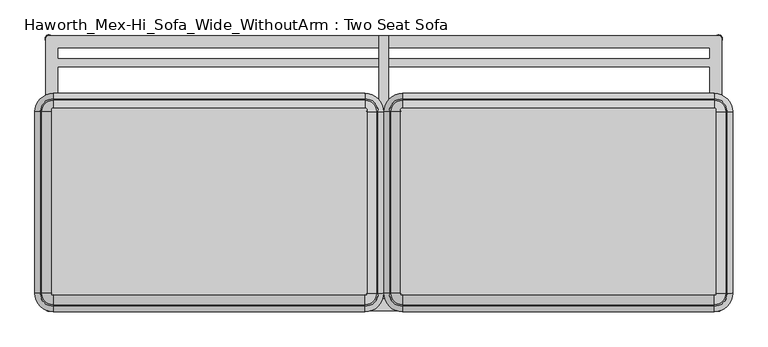
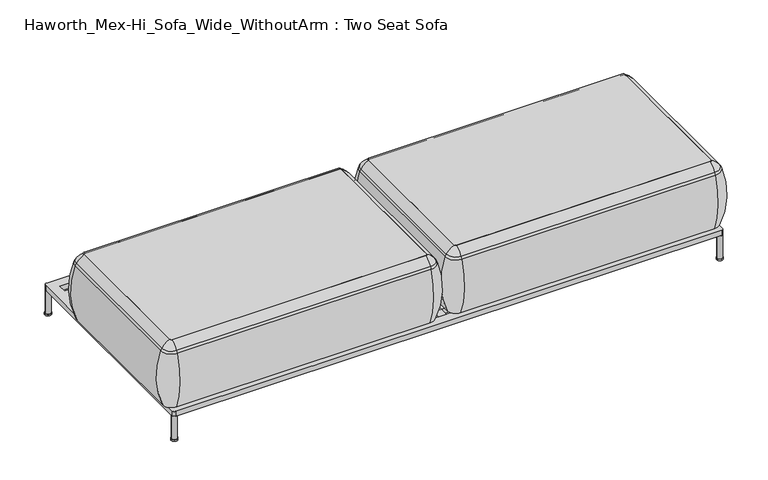
"""IFC4 building model written with IfcOpenShell, lengths in millimetres: furniture geometry, Haworth_Mex-Hi_Sofa_Wide_WithoutArm : Two Seat Sofa."""

from ifc_helpers import new_model, si_unit, point, frame, frame_2d, origin, origin_with_axes, place, context, project, spatial, polyline, circle_curve, ellipse_curve, trimmed, segment, composite_curve, outline, extrude, source, transform, mapped, element, save
from ifc_brep_helpers import plane_surface, cylinder_surface, revolved_surface, advanced_brep


def haworth_mex_hi_sofa_wide_withoutarm_two_seat_sofa_555eac6b(model_context):
    return source(origin(), model_context, "Body", "SolidModel", [
        extrude(outline(composite_curve([segment(trimmed(circle_curve(frame_2d((-155.4452882, -433.7002937)), 12.5000005), [point((-167.9452886, -433.7002937))], [point((-142.9452877, -433.7002937))], False, "CARTESIAN"), True, "CONTINUOUS"), segment(trimmed(circle_curve(frame_2d((-155.4452882, -433.7002937)), 12.5000005), [point((-142.9452877, -433.7002937))], [point((-167.9452886, -433.7002937))], False, "CARTESIAN"), True, "CONTINUOUS")], self_intersect=False)), origin_with_axes(), (0.0, 0.0, 1.0), 6.0),
        extrude(outline(composite_curve([segment(trimmed(circle_curve(frame_2d((-155.4452882, -133.6667163)), 12.5000005), [point((-167.9452886, -133.6667163))], [point((-142.9452877, -133.6667163))], False, "CARTESIAN"), True, "CONTINUOUS"), segment(trimmed(circle_curve(frame_2d((-155.4452882, -133.6667163)), 12.5000005), [point((-142.9452877, -133.6667163))], [point((-167.9452886, -133.6667163))], False, "CARTESIAN"), True, "CONTINUOUS")], self_intersect=False)), origin_with_axes(), (0.0, 0.0, 1.0), 6.0),
        extrude(outline(polyline([(-169.7406049, -696.2002953), (-169.7406049, 153.6358637), (-139.7406192, 153.6358637), (-139.7406192, -696.2002953), (-169.7406049, -696.2002953)])), frame((0.0, 0.0, 103.6569541), z_axis=(0.0, 0.0, 1.0), x_axis=(1.0, 0.0, 0.0)), (0.0, 0.0, 1.0), 20.3430443),
        extrude(outline(composite_curve([segment(trimmed(circle_curve(frame_2d((-1239.490311, 143.787786)), 12.5000005), [point((-1251.9903115, 143.787786))], [point((-1226.9903105, 143.787786))], False, "CARTESIAN"), True, "CONTINUOUS"), segment(trimmed(circle_curve(frame_2d((-1239.490311, 143.787786)), 12.5000005), [point((-1226.9903105, 143.787786))], [point((-1251.9903115, 143.787786))], False, "CARTESIAN"), True, "CONTINUOUS")], self_intersect=False)), origin_with_axes(), (0.0, 0.0, 1.0), 6.0),
        extrude(outline(composite_curve([segment(trimmed(circle_curve(frame_2d((-1239.490311, -726.2491859)), 12.5000005), [point((-1251.9903115, -726.2491859))], [point((-1226.9903105, -726.2491859))], False, "CARTESIAN"), True, "CONTINUOUS"), segment(trimmed(circle_curve(frame_2d((-1239.490311, -726.2491859)), 12.5000005), [point((-1226.9903105, -726.2491859))], [point((-1251.9903115, -726.2491859))], False, "CARTESIAN"), True, "CONTINUOUS")], self_intersect=False)), origin_with_axes(), (0.0, 0.0, 1.0), 6.0),
        extrude(outline(composite_curve([segment(trimmed(circle_curve(frame_2d((930.1872347, 143.787786)), 12.5000005), [point((917.6872342, 143.787786))], [point((942.6872352, 143.787786))], False, "CARTESIAN"), True, "CONTINUOUS"), segment(trimmed(circle_curve(frame_2d((930.1872347, 143.787786)), 12.5000005), [point((942.6872352, 143.787786))], [point((917.6872342, 143.787786))], False, "CARTESIAN"), True, "CONTINUOUS")], self_intersect=False)), origin_with_axes(), (0.0, 0.0, 1.0), 6.0),
        extrude(outline(composite_curve([segment(trimmed(circle_curve(frame_2d((930.0926028, -726.2033172)), 12.5000005), [point((917.5926024, -726.2033172))], [point((942.5926033, -726.2033172))], False, "CARTESIAN"), True, "CONTINUOUS"), segment(trimmed(circle_curve(frame_2d((930.0926028, -726.2033172)), 12.5000005), [point((942.5926033, -726.2033172))], [point((917.5926024, -726.2033172))], False, "CARTESIAN"), True, "CONTINUOUS")], self_intersect=False)), origin_with_axes(), (0.0, 0.0, 1.0), 6.0),
        extrude(outline(composite_curve([segment(trimmed(circle_curve(frame_2d((-1239.490311, 143.787786)), 10.4664203), [point((-1249.9567314, 143.787786))], [point((-1229.0238907, 143.787786))], False, "CARTESIAN"), True, "CONTINUOUS"), segment(trimmed(circle_curve(frame_2d((-1239.490311, 143.787786)), 10.4664203), [point((-1229.0238907, 143.787786))], [point((-1249.9567314, 143.787786))], False, "CARTESIAN"), True, "CONTINUOUS")], self_intersect=False)), origin_with_axes(), (0.0, 0.0, 1.0), 103.6569541),
        extrude(outline(composite_curve([segment(trimmed(circle_curve(frame_2d((930.1617227, -726.1628448)), 10.4664203), [point((919.6953024, -726.1628448))], [point((940.6281431, -726.1628448))], False, "CARTESIAN"), True, "CONTINUOUS"), segment(trimmed(circle_curve(frame_2d((930.1617227, -726.1628448)), 10.4664203), [point((940.6281431, -726.1628448))], [point((919.6953024, -726.1628448))], False, "CARTESIAN"), True, "CONTINUOUS")], self_intersect=False)), origin_with_axes(), (0.0, 0.0, 1.0), 103.6569541),
        extrude(outline(composite_curve([segment(trimmed(circle_curve(frame_2d((930.2402147, 143.7799368)), 10.4664203), [point((919.7737944, 143.7799368))], [point((940.706635, 143.7799368))], False, "CARTESIAN"), True, "CONTINUOUS"), segment(trimmed(circle_curve(frame_2d((930.2402147, 143.7799368)), 10.4664203), [point((940.706635, 143.7799368))], [point((919.7737944, 143.7799368))], False, "CARTESIAN"), True, "CONTINUOUS")], self_intersect=False)), origin_with_axes(), (0.0, 0.0, 1.0), 103.6569541),
        extrude(outline(composite_curve([segment(trimmed(circle_curve(frame_2d((-1239.4189857, -726.0945909)), 10.4664203), [point((-1249.8854061, -726.0945909))], [point((-1228.9525654, -726.0945909))], False, "CARTESIAN"), True, "CONTINUOUS"), segment(trimmed(circle_curve(frame_2d((-1239.4189857, -726.0945909)), 10.4664203), [point((-1228.9525654, -726.0945909))], [point((-1249.8854061, -726.0945909))], False, "CARTESIAN"), True, "CONTINUOUS")], self_intersect=False)), origin_with_axes(), (0.0, 0.0, 1.0), 103.6569541),
        extrude(outline(composite_curve([segment(polyline([(-1239.9363796, 153.6358637), (930.4551554, 153.6358637)]), True, "CONTINUOUS"), segment(trimmed(circle_curve(frame_2d((930.4551554, 144.0819322)), 9.5539314), [point((930.4551554, 153.6358637))], [point((940.0090868, 144.0819322))], False, "CARTESIAN"), True, "CONTINUOUS"), segment(polyline([(940.0090868, 144.0819322), (940.0090868, -728.9954927)]), True, "CONTINUOUS"), segment(trimmed(circle_curve(frame_2d((932.8161728, -728.9954927)), 7.192914), [point((940.0090868, -728.9954927))], [point((932.8161728, -736.1884068))], False, "CARTESIAN"), True, "CONTINUOUS"), segment(polyline([(932.8161728, -736.1884068), (-1239.6875349, -736.1884068)]), True, "CONTINUOUS"), segment(trimmed(circle_curve(frame_2d((-1239.6875349, -726.3856306)), 9.8027761), [point((-1239.6875349, -736.1884068))], [point((-1249.490311, -726.3856306))], False, "CARTESIAN"), True, "CONTINUOUS"), segment(polyline([(-1249.490311, -726.3856306), (-1249.490311, 144.0819322)]), True, "CONTINUOUS"), segment(trimmed(circle_curve(frame_2d((-1239.9363796, 144.0819322)), 9.5539314), [point((-1249.490311, 144.0819322))], [point((-1239.9363796, 153.6358637))], False, "CARTESIAN"), True, "CONTINUOUS")], self_intersect=False), holes=[polyline([(-1209.5022296, -663.7579623), (-1209.5022296, -696.2002953), (900.1108076, -696.2002953), (900.1108076, -663.7579623), (-1209.5022296, -663.7579623)]), polyline([(-1209.5022296, 113.7997046), (-1209.5022296, 81.2997034), (900.1108076, 81.2997034), (900.1108076, 113.7997046), (-1209.5022296, 113.7997046)]), polyline([(-1209.5022296, -148.700302), (-1209.5022296, -633.7579584), (900.1108076, -633.7579584), (900.1108076, -148.700302), (-1209.5022296, -148.700302)]), polyline([(900.1108076, 51.2996995), (-1209.5022296, 51.2996995), (-1209.5022296, -118.7002981), (900.1108076, -118.7002981), (900.1108076, 51.2996995)])]), frame((0.0, 0.0, 103.6569541), z_axis=(0.0, 0.0, 1.0), x_axis=(1.0, 0.0, 0.0)), (0.0, 0.0, 1.0), 20.3430443),
        extrude(outline(composite_curve([segment(trimmed(circle_curve(frame_2d((-214.7384132, -680.3856623)), 5.2798073), [point((-209.4586059, -680.3856623))], [point((-214.7384132, -685.6654695))], False, "CARTESIAN"), True, "CONTINUOUS"), segment(polyline([(-214.7384132, -685.6654695), (-1225.6584132, -685.6654695)]), True, "CONTINUOUS"), segment(trimmed(circle_curve(frame_2d((-1225.6584132, -680.3856623)), 5.2798073), [point((-1225.6584132, -685.6654695))], [point((-1230.9382204, -680.3856623))], False, "CARTESIAN"), True, "CONTINUOUS"), segment(polyline([(-1230.9382204, -680.3856623), (-1230.9382204, -85.8592577)]), True, "CONTINUOUS"), segment(trimmed(circle_curve(frame_2d((-1225.6584132, -85.8592577)), 5.2798073), [point((-1230.9382204, -85.8592577))], [point((-1225.6584132, -80.5794504))], False, "CARTESIAN"), True, "CONTINUOUS"), segment(polyline([(-1225.6584132, -80.5794504), (-214.7384132, -80.5794504)]), True, "CONTINUOUS"), segment(trimmed(circle_curve(frame_2d((-214.7384132, -85.8592577)), 5.2798073), [point((-214.7384132, -80.5794504))], [point((-209.4586059, -85.8592577))], False, "CARTESIAN"), True, "CONTINUOUS"), segment(polyline([(-209.4586059, -85.8592577), (-209.4586059, -680.3856623)]), True, "CONTINUOUS")], self_intersect=False)), frame((0.0, 0.0, 123.9999984), z_axis=(0.0, 0.0, 1.0), x_axis=(1.0, 0.0, 0.0)), (0.0, 0.0, 1.0), 266.3914023),
        advanced_brep(
        [(-1230.9382204, -680.3856623, 390.3914007), (-1225.6584132, -685.6654695, 390.3914007), (-1225.6584132, -685.6654695, 123.9999984), (-1230.9382204, -680.3856623, 123.9999984), (-1259.6262646, -680.3856623, 123.9999984), (-1225.6584132, -714.3535137, 123.9999984), (-1225.6584132, -722.0329787, 353.7769053), (-1267.3057296, -680.3856623, 353.7769053), (-1230.9382204, -92.2092577, 123.9999984), (-1230.9382204, -92.2092577, 390.3914007), (-1267.3057296, -92.2092577, 353.7769053), (-1259.6262646, -92.2092577, 123.9999984), (-1225.6584132, -86.9294504, 390.3914007), (-1225.6584132, -86.9294504, 123.9999984), (-1225.6584132, -58.2414063, 123.9999984), (-1225.6584132, -50.5619412, 353.7769053), (-214.7384132, -86.9294504, 123.9999984), (-214.7384132, -86.9294504, 390.3914007), (-214.7384132, -50.5619412, 353.7769053), (-214.7384132, -58.2414063, 123.9999984), (-209.4586059, -92.2092577, 390.3914007), (-209.4586059, -92.2092577, 123.9999984), (-180.7705617, -92.2092577, 123.9999984), (-173.0910967, -92.2092577, 353.7769053), (-209.4586059, -680.3856623, 123.9999984), (-209.4586059, -680.3856623, 390.3914007), (-173.0910967, -680.3856623, 353.7769053), (-180.7705617, -680.3856623, 123.9999984), (-214.7384132, -685.6654695, 390.3914007), (-214.7384132, -685.6654695, 123.9999984), (-214.7384132, -714.3535137, 123.9999984), (-214.7384132, -722.0329787, 353.7769053), (-1262.0872697, -680.3856623, 363.6402875), (-1225.6584132, -716.8145188, 363.6402875), (-1262.0872697, -92.2092577, 363.6402875), (-1225.6584132, -55.7804011, 363.6402875), (-214.7384132, -55.7804011, 363.6402875), (-178.3095566, -92.2092577, 363.6402875), (-178.3095566, -680.3856623, 363.6402875), (-214.7384132, -716.8145188, 363.6402875)],
        [
            (0, 1, circle_curve(frame((-1225.6584132, -680.3856623, 390.3914007), z_axis=(0.0, 0.0, 1.0), x_axis=(0.0, -1.0, 0.0)), 5.2798073)),
            (1, 2),
            (2, 3, circle_curve(frame((-1225.6584132, -680.3856623, 123.9999984), z_axis=(0.0, 0.0, -1.0), x_axis=(0.0, -1.0, 0.0)), 5.2798073)),
            (3, 0),
            (4, 5, circle_curve(frame((-1225.6584132, -680.3856623, 123.9999984), z_axis=(0.0, 0.0, 1.0), x_axis=(0.0, -1.0, 0.0)), 33.9678514)),
            (5, 6, circle_curve(frame((-1225.6584132, -417.9792297, 248.9220234), z_axis=(-1.0, 0.0, 0.0), x_axis=(0.0, -1.0, 0.0)), 321.625914)),
            (6, 7, circle_curve(frame((-1225.6584132, -680.3856623, 353.7769053), z_axis=(0.0, 0.0, -1.0), x_axis=(0.0, -1.0, 0.0)), 41.6473165)),
            (7, 4, circle_curve(frame((-963.2519806, -680.3856623, 248.9220234), z_axis=(0.0, -1.0, 0.0), x_axis=(-1.0, 0.0, 0.0)), 321.625914)),
            (3, 8),
            (8, 9),
            (9, 0),
            (7, 10),
            (10, 11, circle_curve(frame((-963.2519806, -92.2092577, 248.9220234), z_axis=(0.0, -1.0, 0.0), x_axis=(-1.0, 0.0, 0.0)), 321.625914)),
            (11, 4),
            (12, 9, circle_curve(frame((-1225.6584132, -92.2092577, 390.3914007), z_axis=(0.0, 0.0, 1.0), x_axis=(-1.0, 0.0, 0.0)), 5.2798073)),
            (8, 13, circle_curve(frame((-1225.6584132, -92.2092577, 123.9999984), z_axis=(0.0, 0.0, -1.0), x_axis=(-1.0, 0.0, 0.0)), 5.2798073)),
            (13, 12),
            (14, 11, circle_curve(frame((-1225.6584132, -92.2092577, 123.9999984), z_axis=(0.0, 0.0, 1.0), x_axis=(-1.0, 0.0, 0.0)), 33.9678514)),
            (10, 15, circle_curve(frame((-1225.6584132, -92.2092577, 353.7769053), z_axis=(0.0, 0.0, -1.0), x_axis=(-1.0, 0.0, 0.0)), 41.6473165)),
            (15, 14, circle_curve(frame((-1225.6584132, -354.6156902, 248.9220234), z_axis=(-1.0, 0.0, 0.0), x_axis=(0.0, 1.0, 0.0)), 321.625914)),
            (13, 16),
            (16, 17),
            (17, 12),
            (15, 18),
            (18, 19, circle_curve(frame((-214.7384132, -354.6156902, 248.9220234), z_axis=(-1.0, 0.0, 0.0), x_axis=(0.0, 1.0, 0.0)), 321.625914)),
            (19, 14),
            (20, 17, circle_curve(frame((-214.7384132, -92.2092577, 390.3914007), z_axis=(0.0, 0.0, 1.0), x_axis=(0.0, 1.0, 0.0)), 5.2798073)),
            (16, 21, circle_curve(frame((-214.7384132, -92.2092577, 123.9999984), z_axis=(0.0, 0.0, -1.0), x_axis=(0.0, 1.0, 0.0)), 5.2798073)),
            (21, 20),
            (22, 19, circle_curve(frame((-214.7384132, -92.2092577, 123.9999984), z_axis=(0.0, 0.0, 1.0), x_axis=(0.0, 1.0, 0.0)), 33.9678514)),
            (18, 23, circle_curve(frame((-214.7384132, -92.2092577, 353.7769053), z_axis=(0.0, 0.0, -1.0), x_axis=(0.0, 1.0, 0.0)), 41.6473165)),
            (23, 22, circle_curve(frame((-477.1448457, -92.2092577, 248.9220234), z_axis=(0.0, 1.0, 0.0), x_axis=(1.0, 0.0, 0.0)), 321.625914)),
            (21, 24),
            (24, 25),
            (25, 20),
            (23, 26),
            (26, 27, circle_curve(frame((-477.1448457, -680.3856623, 248.9220234), z_axis=(0.0, 1.0, 0.0), x_axis=(1.0, 0.0, 0.0)), 321.625914)),
            (27, 22),
            (28, 25, circle_curve(frame((-214.7384132, -680.3856623, 390.3914007), z_axis=(0.0, 0.0, 1.0), x_axis=(1.0, 0.0, 0.0)), 5.2798073)),
            (24, 29, circle_curve(frame((-214.7384132, -680.3856623, 123.9999984), z_axis=(0.0, 0.0, -1.0), x_axis=(1.0, 0.0, 0.0)), 5.2798073)),
            (29, 28),
            (30, 27, circle_curve(frame((-214.7384132, -680.3856623, 123.9999984), z_axis=(0.0, 0.0, 1.0), x_axis=(1.0, 0.0, 0.0)), 33.9678514)),
            (26, 31, circle_curve(frame((-214.7384132, -680.3856623, 353.7769053), z_axis=(0.0, 0.0, -1.0), x_axis=(1.0, 0.0, 0.0)), 41.6473165)),
            (31, 30, circle_curve(frame((-214.7384132, -417.9792297, 248.9220234), z_axis=(1.0, 0.0, 0.0), x_axis=(0.0, -1.0, 0.0)), 321.625914)),
            (30, 5),
            (2, 29),
            (1, 28),
            (31, 6),
            (32, 33, circle_curve(frame((-1225.6584132, -680.3856623, 363.6402875), z_axis=(0.0, 0.0, 1.0), x_axis=(0.0, -1.0, 0.0)), 36.4288566)),
            (33, 1, circle_curve(frame((-1225.6584132, -641.43285, 307.3762868), z_axis=(-1.0, 0.0, 0.0), x_axis=(0.0, -1.0, 0.0)), 94.0639876)),
            (0, 32, circle_curve(frame((-1186.7056009, -680.3856623, 307.3762868), z_axis=(0.0, -1.0, 0.0), x_axis=(-1.0, 0.0, 0.0)), 94.0639876)),
            (6, 33, circle_curve(frame((-1225.6584132, -687.7682596, 341.9604975), z_axis=(-1.0, 0.0, 0.0), x_axis=(0.0, -1.0, 0.0)), 36.2449785)),
            (32, 7, circle_curve(frame((-1233.0410105, -680.3856623, 341.9604975), z_axis=(0.0, -1.0, 0.0), x_axis=(-1.0, 0.0, 0.0)), 36.2449785)),
            (9, 34, circle_curve(frame((-1186.7056009, -92.2092577, 307.3762868), z_axis=(0.0, -1.0, 0.0), x_axis=(-1.0, 0.0, 0.0)), 94.0639876)),
            (34, 32),
            (34, 10, circle_curve(frame((-1233.0410105, -92.2092577, 341.9604975), z_axis=(0.0, -1.0, 0.0), x_axis=(-1.0, 0.0, 0.0)), 36.2449785)),
            (35, 34, circle_curve(frame((-1225.6584132, -92.2092577, 363.6402875), z_axis=(0.0, 0.0, 1.0), x_axis=(-1.0, 0.0, 0.0)), 36.4288566)),
            (12, 35, circle_curve(frame((-1225.6584132, -131.1620699, 307.3762868), z_axis=(-1.0, 0.0, 0.0), x_axis=(0.0, 1.0, 0.0)), 94.0639876)),
            (35, 15, circle_curve(frame((-1225.6584132, -84.8266603, 341.9604975), z_axis=(-1.0, 0.0, 0.0), x_axis=(0.0, 1.0, 0.0)), 36.2449785)),
            (17, 36, circle_curve(frame((-214.7384132, -131.1620699, 307.3762868), z_axis=(-1.0, 0.0, 0.0), x_axis=(0.0, 1.0, 0.0)), 94.0639876)),
            (36, 35),
            (36, 18, circle_curve(frame((-214.7384132, -84.8266603, 341.9604975), z_axis=(-1.0, 0.0, 0.0), x_axis=(0.0, 1.0, 0.0)), 36.2449785)),
            (37, 36, circle_curve(frame((-214.7384132, -92.2092577, 363.6402875), z_axis=(0.0, 0.0, 1.0), x_axis=(0.0, 1.0, 0.0)), 36.4288566)),
            (20, 37, circle_curve(frame((-253.6912254, -92.2092577, 307.3762868), z_axis=(0.0, 1.0, 0.0), x_axis=(1.0, 0.0, 0.0)), 94.0639876)),
            (37, 23, circle_curve(frame((-207.3558158, -92.2092577, 341.9604975), z_axis=(0.0, 1.0, 0.0), x_axis=(1.0, 0.0, 0.0)), 36.2449785)),
            (25, 38, circle_curve(frame((-253.6912254, -680.3856623, 307.3762868), z_axis=(0.0, 1.0, 0.0), x_axis=(1.0, 0.0, 0.0)), 94.0639876)),
            (38, 37),
            (38, 26, circle_curve(frame((-207.3558158, -680.3856623, 341.9604975), z_axis=(0.0, 1.0, 0.0), x_axis=(1.0, 0.0, 0.0)), 36.2449785)),
            (39, 38, circle_curve(frame((-214.7384132, -680.3856623, 363.6402875), z_axis=(0.0, 0.0, 1.0), x_axis=(1.0, 0.0, 0.0)), 36.4288566)),
            (28, 39, circle_curve(frame((-214.7384132, -641.43285, 307.3762868), z_axis=(1.0, 0.0, 0.0), x_axis=(0.0, -1.0, 0.0)), 94.0639876)),
            (39, 31, circle_curve(frame((-214.7384132, -687.7682596, 341.9604975), z_axis=(1.0, 0.0, 0.0), x_axis=(0.0, -1.0, 0.0)), 36.2449785)),
            (33, 39),
        ],
        [
            revolved_surface(polyline([(-1225.6584132, -685.6654696, 123.9999984), (-1225.6584132, -685.6654696, 390.3914007)]), (-1225.6584132, -680.3856623, 0.0), (0.0, 0.0, -1.0)),
            revolved_surface(trimmed(ellipse_curve(frame((-1225.6584132, -417.9792297, 248.9220234), z_axis=(1.0, 0.0, 0.0), x_axis=(0.0, -1.0, 0.0)), 321.625914, 321.625914), [point((-1225.6584132, -722.0329787, 353.7769053))], [point((-1225.6584132, -714.3535137, 123.9999984))], True, "CARTESIAN"), (-1225.6584132, -680.3856623, 0.0), (0.0, 0.0, -1.0)),
            plane_surface(frame((-1230.9382204, -680.3856623, 123.9999984), z_axis=(1.0, 0.0, 0.0), x_axis=(0.0, 1.0, 0.0))),
            cylinder_surface(frame((-963.2519806, -680.3856623, 248.9220234), z_axis=(0.0, -1.0, 0.0), x_axis=(-1.0, 0.0, 0.0)), 321.625914),
            revolved_surface(polyline([(-1230.9382205, -92.2092577, 123.9999984), (-1230.9382205, -92.2092577, 390.3914007)]), (-1225.6584132, -92.2092577, 0.0), (0.0, 0.0, -1.0)),
            revolved_surface(trimmed(ellipse_curve(frame((-963.2519806, -92.2092577, 248.9220234), z_axis=(0.0, -1.0, 0.0), x_axis=(-1.0, 0.0, 0.0)), 321.625914, 321.625914), [point((-1267.3057296, -92.2092577, 353.7769053))], [point((-1259.6262646, -92.2092577, 123.9999984))], True, "CARTESIAN"), (-1225.6584132, -92.2092577, 0.0), (0.0, 0.0, -1.0)),
            plane_surface(frame((-1225.6584132, -86.9294504, 123.9999984), z_axis=(0.0, -1.0, 0.0), x_axis=(1.0, 0.0, 0.0))),
            cylinder_surface(frame((-1225.6584132, -354.6156902, 248.9220234), z_axis=(-1.0, 0.0, 0.0), x_axis=(0.0, 1.0, 0.0)), 321.625914),
            revolved_surface(polyline([(-214.7384132, -86.9294504, 123.9999984), (-214.7384132, -86.9294504, 390.3914007)]), (-214.7384132, -92.2092577, 0.0), (0.0, 0.0, -1.0)),
            revolved_surface(trimmed(ellipse_curve(frame((-214.7384132, -354.6156902, 248.9220234), z_axis=(-1.0, 0.0, 0.0), x_axis=(0.0, 1.0, 0.0)), 321.625914, 321.625914), [point((-214.7384132, -50.5619412, 353.7769053))], [point((-214.7384132, -58.2414063, 123.9999984))], True, "CARTESIAN"), (-214.7384132, -92.2092577, 0.0), (0.0, 0.0, -1.0)),
            plane_surface(frame((-209.4586059, -92.2092577, 123.9999984), z_axis=(-1.0, 0.0, 0.0), x_axis=(0.0, -1.0, 0.0))),
            cylinder_surface(frame((-477.1448457, -92.2092577, 248.9220234), z_axis=(0.0, 1.0, 0.0), x_axis=(1.0, 0.0, 0.0)), 321.625914),
            revolved_surface(polyline([(-209.4586059, -680.3856623, 123.9999984), (-209.4586059, -680.3856623, 390.3914007)]), (-214.7384132, -680.3856623, 0.0), (0.0, 0.0, -1.0)),
            revolved_surface(trimmed(ellipse_curve(frame((-477.1448457, -680.3856623, 248.9220234), z_axis=(0.0, 1.0, 0.0), x_axis=(1.0, 0.0, 0.0)), 321.625914, 321.625914), [point((-173.0910967, -680.3856623, 353.7769053))], [point((-180.7705617, -680.3856623, 123.9999984))], True, "CARTESIAN"), (-214.7384132, -680.3856623, 0.0), (0.0, 0.0, -1.0)),
            plane_surface(frame((-214.7384132, -714.3535137, 123.9999984), z_axis=(0.0, 0.0, -1.0), x_axis=(-1.0, 0.0, 0.0))),
            plane_surface(frame((-214.7384132, -685.6654695, 123.9999984), z_axis=(0.0, 1.0, 0.0), x_axis=(-1.0, 0.0, 0.0))),
            cylinder_surface(frame((-214.7384132, -417.9792297, 248.9220234), z_axis=(1.0, 0.0, 0.0), x_axis=(0.0, -1.0, 0.0)), 321.625914),
            revolved_surface(trimmed(ellipse_curve(frame((-1225.6584132, -641.43285, 307.3762868), z_axis=(1.0, 0.0, 0.0), x_axis=(0.0, -1.0, 0.0)), 94.0639876, 94.0639876), [point((-1225.6584132, -685.6654695, 390.3914007))], [point((-1225.6584132, -716.8145188, 363.6402875))], True, "CARTESIAN"), (-1225.6584132, -680.3856623, 0.0), (0.0, 0.0, -1.0)),
            revolved_surface(trimmed(ellipse_curve(frame((-1225.6584132, -687.7682596, 341.9604975), z_axis=(1.0, 0.0, 0.0), x_axis=(0.0, -1.0, 0.0)), 36.2449785, 36.2449785), [point((-1225.6584132, -716.8145188, 363.6402875))], [point((-1225.6584132, -722.0329787, 353.7769053))], True, "CARTESIAN"), (-1225.6584132, -680.3856623, 0.0), (0.0, 0.0, -1.0)),
            cylinder_surface(frame((-1186.7056009, -680.3856623, 307.3762868), z_axis=(0.0, -1.0, 0.0), x_axis=(-1.0, 0.0, 0.0)), 94.0639876),
            cylinder_surface(frame((-1233.0410105, -680.3856623, 341.9604975), z_axis=(0.0, -1.0, 0.0), x_axis=(-1.0, 0.0, 0.0)), 36.2449785),
            revolved_surface(trimmed(ellipse_curve(frame((-1186.7056009, -92.2092577, 307.3762868), z_axis=(0.0, -1.0, 0.0), x_axis=(-1.0, 0.0, 0.0)), 94.0639876, 94.0639876), [point((-1230.9382204, -92.2092577, 390.3914007))], [point((-1262.0872697, -92.2092577, 363.6402875))], True, "CARTESIAN"), (-1225.6584132, -92.2092577, 0.0), (0.0, 0.0, -1.0)),
            revolved_surface(trimmed(ellipse_curve(frame((-1233.0410105, -92.2092577, 341.9604975), z_axis=(0.0, -1.0, 0.0), x_axis=(-1.0, 0.0, 0.0)), 36.2449785, 36.2449785), [point((-1262.0872697, -92.2092577, 363.6402875))], [point((-1267.3057296, -92.2092577, 353.7769053))], True, "CARTESIAN"), (-1225.6584132, -92.2092577, 0.0), (0.0, 0.0, -1.0)),
            cylinder_surface(frame((-1225.6584132, -131.1620699, 307.3762868), z_axis=(-1.0, 0.0, 0.0), x_axis=(0.0, 1.0, 0.0)), 94.0639876),
            cylinder_surface(frame((-1225.6584132, -84.8266603, 341.9604975), z_axis=(-1.0, 0.0, 0.0), x_axis=(0.0, 1.0, 0.0)), 36.2449785),
            revolved_surface(trimmed(ellipse_curve(frame((-214.7384132, -131.1620699, 307.3762868), z_axis=(-1.0, 0.0, 0.0), x_axis=(0.0, 1.0, 0.0)), 94.0639876, 94.0639876), [point((-214.7384132, -86.9294504, 390.3914007))], [point((-214.7384132, -55.7804011, 363.6402875))], True, "CARTESIAN"), (-214.7384132, -92.2092577, 0.0), (0.0, 0.0, -1.0)),
            revolved_surface(trimmed(ellipse_curve(frame((-214.7384132, -84.8266603, 341.9604975), z_axis=(-1.0, 0.0, 0.0), x_axis=(0.0, 1.0, 0.0)), 36.2449785, 36.2449785), [point((-214.7384132, -55.7804011, 363.6402875))], [point((-214.7384132, -50.5619412, 353.7769053))], True, "CARTESIAN"), (-214.7384132, -92.2092577, 0.0), (0.0, 0.0, -1.0)),
            cylinder_surface(frame((-253.6912254, -92.2092577, 307.3762868), z_axis=(0.0, 1.0, 0.0), x_axis=(1.0, 0.0, 0.0)), 94.0639876),
            cylinder_surface(frame((-207.3558158, -92.2092577, 341.9604975), z_axis=(0.0, 1.0, 0.0), x_axis=(1.0, 0.0, 0.0)), 36.2449785),
            revolved_surface(trimmed(ellipse_curve(frame((-253.6912254, -680.3856623, 307.3762868), z_axis=(0.0, 1.0, 0.0), x_axis=(1.0, 0.0, 0.0)), 94.0639876, 94.0639876), [point((-209.4586059, -680.3856623, 390.3914007))], [point((-178.3095566, -680.3856623, 363.6402875))], True, "CARTESIAN"), (-214.7384132, -680.3856623, 0.0), (0.0, 0.0, -1.0)),
            revolved_surface(trimmed(ellipse_curve(frame((-207.3558158, -680.3856623, 341.9604975), z_axis=(0.0, 1.0, 0.0), x_axis=(1.0, 0.0, 0.0)), 36.2449785, 36.2449785), [point((-178.3095566, -680.3856623, 363.6402875))], [point((-173.0910967, -680.3856623, 353.7769053))], True, "CARTESIAN"), (-214.7384132, -680.3856623, 0.0), (0.0, 0.0, -1.0)),
            cylinder_surface(frame((-214.7384132, -641.43285, 307.3762868), z_axis=(1.0, 0.0, 0.0), x_axis=(0.0, -1.0, 0.0)), 94.0639876),
            cylinder_surface(frame((-214.7384132, -687.7682596, 341.9604975), z_axis=(1.0, 0.0, 0.0), x_axis=(0.0, -1.0, 0.0)), 36.2449785),
        ],
        [
            (0, [[1, 2, 3, 4]]),
            (1, [[5, 6, 7, 8]]),
            (2, [[-4, 9, 10, 11]]),
            (3, [[-8, 12, 13, 14]]),
            (4, [[15, -10, 16, 17]]),
            (5, [[18, -13, 19, 20]]),
            (6, [[-17, 21, 22, 23]]),
            (7, [[-20, 24, 25, 26]]),
            (8, [[27, -22, 28, 29]]),
            (9, [[30, -25, 31, 32]]),
            (10, [[-29, 33, 34, 35]]),
            (11, [[-32, 36, 37, 38]]),
            (12, [[39, -34, 40, 41]]),
            (13, [[42, -37, 43, 44]]),
            (14, [[-38, -42, 45, -5, -14, -18, -26, -30], [46, -40, -33, -28, -21, -16, -9, -3]]),
            (15, [[-41, -46, -2, 47]]),
            (16, [[-44, 48, -6, -45]]),
            (17, [[49, 50, -1, 51]]),
            (18, [[-7, 52, -49, 53]]),
            (19, [[-51, -11, 54, 55]]),
            (20, [[-53, -55, 56, -12]]),
            (21, [[57, -54, -15, 58]]),
            (22, [[-19, -56, -57, 59]]),
            (23, [[-58, -23, 60, 61]]),
            (24, [[-59, -61, 62, -24]]),
            (25, [[63, -60, -27, 64]]),
            (26, [[-31, -62, -63, 65]]),
            (27, [[-64, -35, 66, 67]]),
            (28, [[-65, -67, 68, -36]]),
            (29, [[69, -66, -39, 70]]),
            (30, [[-43, -68, -69, 71]]),
            (31, [[-70, -47, -50, 72]]),
            (32, [[-71, -72, -52, -48]]),
        ],
    ),
        extrude(outline(composite_curve([segment(trimmed(circle_curve(frame_2d((916.4811002, -680.3856623)), 5.2798073), [point((921.7609075, -680.3856623))], [point((916.4811002, -685.6654695))], False, "CARTESIAN"), True, "CONTINUOUS"), segment(polyline([(916.4811002, -685.6654695), (-94.4388998, -685.6654695)]), True, "CONTINUOUS"), segment(trimmed(circle_curve(frame_2d((-94.4388998, -680.3856623)), 5.2798073), [point((-94.4388998, -685.6654695))], [point((-99.718707, -680.3856623))], False, "CARTESIAN"), True, "CONTINUOUS"), segment(polyline([(-99.718707, -680.3856623), (-99.718707, -85.8592577)]), True, "CONTINUOUS"), segment(trimmed(circle_curve(frame_2d((-94.4388998, -85.8592577)), 5.2798073), [point((-99.718707, -85.8592577))], [point((-94.4388998, -80.5794504))], False, "CARTESIAN"), True, "CONTINUOUS"), segment(polyline([(-94.4388998, -80.5794504), (916.4811002, -80.5794504)]), True, "CONTINUOUS"), segment(trimmed(circle_curve(frame_2d((916.4811002, -85.8592577)), 5.2798073), [point((916.4811002, -80.5794504))], [point((921.7609075, -85.8592577))], False, "CARTESIAN"), True, "CONTINUOUS"), segment(polyline([(921.7609075, -85.8592577), (921.7609075, -680.3856623)]), True, "CONTINUOUS")], self_intersect=False)), frame((0.0, 0.0, 123.9999984), z_axis=(0.0, 0.0, 1.0), x_axis=(1.0, 0.0, 0.0)), (0.0, 0.0, 1.0), 266.3914023),
        advanced_brep(
        [(-99.718707, -680.3856623, 390.3914007), (-94.4388998, -685.6654695, 390.3914007), (-94.4388998, -685.6654695, 123.9999984), (-99.718707, -680.3856623, 123.9999984), (-128.4067512, -680.3856623, 123.9999984), (-94.4388998, -714.3535137, 123.9999984), (-94.4388998, -722.0329787, 353.7769053), (-136.0862162, -680.3856623, 353.7769053), (-99.718707, -92.2092577, 123.9999984), (-99.718707, -92.2092577, 390.3914007), (-136.0862162, -92.2092577, 353.7769053), (-128.4067512, -92.2092577, 123.9999984), (-94.4388998, -86.9294504, 390.3914007), (-94.4388998, -86.9294504, 123.9999984), (-94.4388998, -58.2414063, 123.9999984), (-94.4388998, -50.5619412, 353.7769053), (916.4811002, -86.9294504, 123.9999984), (916.4811002, -86.9294504, 390.3914007), (916.4811002, -50.5619412, 353.7769053), (916.4811002, -58.2414063, 123.9999984), (921.7609075, -92.2092577, 390.3914007), (921.7609075, -92.2092577, 123.9999984), (950.4489517, -92.2092577, 123.9999984), (958.1284167, -92.2092577, 353.7769053), (921.7609075, -680.3856623, 123.9999984), (921.7609075, -680.3856623, 390.3914007), (958.1284167, -680.3856623, 353.7769053), (950.4489517, -680.3856623, 123.9999984), (916.4811002, -685.6654695, 390.3914007), (916.4811002, -685.6654695, 123.9999984), (916.4811002, -714.3535137, 123.9999984), (916.4811002, -722.0329787, 353.7769053), (-130.8677563, -680.3856623, 363.6402875), (-94.4388998, -716.8145188, 363.6402875), (-130.8677563, -92.2092577, 363.6402875), (-94.4388998, -55.7804011, 363.6402875), (916.4811002, -55.7804011, 363.6402875), (952.9099568, -92.2092577, 363.6402875), (952.9099568, -680.3856623, 363.6402875), (916.4811002, -716.8145188, 363.6402875)],
        [
            (0, 1, circle_curve(frame((-94.4388998, -680.3856623, 390.3914007), z_axis=(0.0, 0.0, 1.0), x_axis=(0.0, -1.0, 0.0)), 5.2798073)),
            (1, 2),
            (2, 3, circle_curve(frame((-94.4388998, -680.3856623, 123.9999984), z_axis=(0.0, 0.0, -1.0), x_axis=(0.0, -1.0, 0.0)), 5.2798073)),
            (3, 0),
            (4, 5, circle_curve(frame((-94.4388998, -680.3856623, 123.9999984), z_axis=(0.0, 0.0, 1.0), x_axis=(0.0, -1.0, 0.0)), 33.9678514)),
            (5, 6, circle_curve(frame((-94.4388998, -417.9792297, 248.9220234), z_axis=(-1.0, 0.0, 0.0), x_axis=(0.0, -1.0, 0.0)), 321.625914)),
            (6, 7, circle_curve(frame((-94.4388998, -680.3856623, 353.7769053), z_axis=(0.0, 0.0, -1.0), x_axis=(0.0, -1.0, 0.0)), 41.6473165)),
            (7, 4, circle_curve(frame((167.9675328, -680.3856623, 248.9220234), z_axis=(0.0, -1.0, 0.0), x_axis=(-1.0, 0.0, 0.0)), 321.625914)),
            (3, 8),
            (8, 9),
            (9, 0),
            (7, 10),
            (10, 11, circle_curve(frame((167.9675328, -92.2092577, 248.9220234), z_axis=(0.0, -1.0, 0.0), x_axis=(-1.0, 0.0, 0.0)), 321.625914)),
            (11, 4),
            (12, 9, circle_curve(frame((-94.4388998, -92.2092577, 390.3914007), z_axis=(0.0, 0.0, 1.0), x_axis=(-1.0, 0.0, 0.0)), 5.2798073)),
            (8, 13, circle_curve(frame((-94.4388998, -92.2092577, 123.9999984), z_axis=(0.0, 0.0, -1.0), x_axis=(-1.0, 0.0, 0.0)), 5.2798073)),
            (13, 12),
            (14, 11, circle_curve(frame((-94.4388998, -92.2092577, 123.9999984), z_axis=(0.0, 0.0, 1.0), x_axis=(-1.0, 0.0, 0.0)), 33.9678514)),
            (10, 15, circle_curve(frame((-94.4388998, -92.2092577, 353.7769053), z_axis=(0.0, 0.0, -1.0), x_axis=(-1.0, 0.0, 0.0)), 41.6473165)),
            (15, 14, circle_curve(frame((-94.4388998, -354.6156902, 248.9220234), z_axis=(-1.0, 0.0, 0.0), x_axis=(0.0, 1.0, 0.0)), 321.625914)),
            (13, 16),
            (16, 17),
            (17, 12),
            (15, 18),
            (18, 19, circle_curve(frame((916.4811002, -354.6156902, 248.9220234), z_axis=(-1.0, 0.0, 0.0), x_axis=(0.0, 1.0, 0.0)), 321.625914)),
            (19, 14),
            (20, 17, circle_curve(frame((916.4811002, -92.2092577, 390.3914007), z_axis=(0.0, 0.0, 1.0), x_axis=(0.0, 1.0, 0.0)), 5.2798073)),
            (16, 21, circle_curve(frame((916.4811002, -92.2092577, 123.9999984), z_axis=(0.0, 0.0, -1.0), x_axis=(0.0, 1.0, 0.0)), 5.2798073)),
            (21, 20),
            (22, 19, circle_curve(frame((916.4811002, -92.2092577, 123.9999984), z_axis=(0.0, 0.0, 1.0), x_axis=(0.0, 1.0, 0.0)), 33.9678514)),
            (18, 23, circle_curve(frame((916.4811002, -92.2092577, 353.7769053), z_axis=(0.0, 0.0, -1.0), x_axis=(0.0, 1.0, 0.0)), 41.6473165)),
            (23, 22, circle_curve(frame((654.0746677, -92.2092577, 248.9220234), z_axis=(0.0, 1.0, 0.0), x_axis=(1.0, 0.0, 0.0)), 321.625914)),
            (21, 24),
            (24, 25),
            (25, 20),
            (23, 26),
            (26, 27, circle_curve(frame((654.0746677, -680.3856623, 248.9220234), z_axis=(0.0, 1.0, 0.0), x_axis=(1.0, 0.0, 0.0)), 321.625914)),
            (27, 22),
            (28, 25, circle_curve(frame((916.4811002, -680.3856623, 390.3914007), z_axis=(0.0, 0.0, 1.0), x_axis=(1.0, 0.0, 0.0)), 5.2798073)),
            (24, 29, circle_curve(frame((916.4811002, -680.3856623, 123.9999984), z_axis=(0.0, 0.0, -1.0), x_axis=(1.0, 0.0, 0.0)), 5.2798073)),
            (29, 28),
            (30, 27, circle_curve(frame((916.4811002, -680.3856623, 123.9999984), z_axis=(0.0, 0.0, 1.0), x_axis=(1.0, 0.0, 0.0)), 33.9678514)),
            (26, 31, circle_curve(frame((916.4811002, -680.3856623, 353.7769053), z_axis=(0.0, 0.0, -1.0), x_axis=(1.0, 0.0, 0.0)), 41.6473165)),
            (31, 30, circle_curve(frame((916.4811002, -417.9792297, 248.9220234), z_axis=(1.0, 0.0, 0.0), x_axis=(0.0, -1.0, 0.0)), 321.625914)),
            (30, 5),
            (2, 29),
            (1, 28),
            (31, 6),
            (32, 33, circle_curve(frame((-94.4388998, -680.3856623, 363.6402875), z_axis=(0.0, 0.0, 1.0), x_axis=(0.0, -1.0, 0.0)), 36.4288566)),
            (33, 1, circle_curve(frame((-94.4388998, -641.43285, 307.3762868), z_axis=(-1.0, 0.0, 0.0), x_axis=(0.0, -1.0, 0.0)), 94.0639876)),
            (0, 32, circle_curve(frame((-55.4860875, -680.3856623, 307.3762868), z_axis=(0.0, -1.0, 0.0), x_axis=(-1.0, 0.0, 0.0)), 94.0639876)),
            (6, 33, circle_curve(frame((-94.4388998, -687.7682596, 341.9604975), z_axis=(-1.0, 0.0, 0.0), x_axis=(0.0, -1.0, 0.0)), 36.2449785)),
            (32, 7, circle_curve(frame((-101.8214971, -680.3856623, 341.9604975), z_axis=(0.0, -1.0, 0.0), x_axis=(-1.0, 0.0, 0.0)), 36.2449785)),
            (9, 34, circle_curve(frame((-55.4860875, -92.2092577, 307.3762868), z_axis=(0.0, -1.0, 0.0), x_axis=(-1.0, 0.0, 0.0)), 94.0639876)),
            (34, 32),
            (34, 10, circle_curve(frame((-101.8214971, -92.2092577, 341.9604975), z_axis=(0.0, -1.0, 0.0), x_axis=(-1.0, 0.0, 0.0)), 36.2449785)),
            (35, 34, circle_curve(frame((-94.4388998, -92.2092577, 363.6402875), z_axis=(0.0, 0.0, 1.0), x_axis=(-1.0, 0.0, 0.0)), 36.4288566)),
            (12, 35, circle_curve(frame((-94.4388998, -131.1620699, 307.3762868), z_axis=(-1.0, 0.0, 0.0), x_axis=(0.0, 1.0, 0.0)), 94.0639876)),
            (35, 15, circle_curve(frame((-94.4388998, -84.8266603, 341.9604975), z_axis=(-1.0, 0.0, 0.0), x_axis=(0.0, 1.0, 0.0)), 36.2449785)),
            (17, 36, circle_curve(frame((916.4811002, -131.1620699, 307.3762868), z_axis=(-1.0, 0.0, 0.0), x_axis=(0.0, 1.0, 0.0)), 94.0639876)),
            (36, 35),
            (36, 18, circle_curve(frame((916.4811002, -84.8266603, 341.9604975), z_axis=(-1.0, 0.0, 0.0), x_axis=(0.0, 1.0, 0.0)), 36.2449785)),
            (37, 36, circle_curve(frame((916.4811002, -92.2092577, 363.6402875), z_axis=(0.0, 0.0, 1.0), x_axis=(0.0, 1.0, 0.0)), 36.4288566)),
            (20, 37, circle_curve(frame((877.528288, -92.2092577, 307.3762868), z_axis=(0.0, 1.0, 0.0), x_axis=(1.0, 0.0, 0.0)), 94.0639876)),
            (37, 23, circle_curve(frame((923.8636976, -92.2092577, 341.9604975), z_axis=(0.0, 1.0, 0.0), x_axis=(1.0, 0.0, 0.0)), 36.2449785)),
            (25, 38, circle_curve(frame((877.528288, -680.3856623, 307.3762868), z_axis=(0.0, 1.0, 0.0), x_axis=(1.0, 0.0, 0.0)), 94.0639876)),
            (38, 37),
            (38, 26, circle_curve(frame((923.8636976, -680.3856623, 341.9604975), z_axis=(0.0, 1.0, 0.0), x_axis=(1.0, 0.0, 0.0)), 36.2449785)),
            (39, 38, circle_curve(frame((916.4811002, -680.3856623, 363.6402875), z_axis=(0.0, 0.0, 1.0), x_axis=(1.0, 0.0, 0.0)), 36.4288566)),
            (28, 39, circle_curve(frame((916.4811002, -641.43285, 307.3762868), z_axis=(1.0, 0.0, 0.0), x_axis=(0.0, -1.0, 0.0)), 94.0639876)),
            (39, 31, circle_curve(frame((916.4811002, -687.7682596, 341.9604975), z_axis=(1.0, 0.0, 0.0), x_axis=(0.0, -1.0, 0.0)), 36.2449785)),
            (33, 39),
        ],
        [
            revolved_surface(polyline([(-94.4388998, -685.6654696, 123.9999984), (-94.4388998, -685.6654696, 390.3914007)]), (-94.4388998, -680.3856623, 0.0), (0.0, 0.0, -1.0)),
            revolved_surface(trimmed(ellipse_curve(frame((-94.4388998, -417.9792297, 248.9220234), z_axis=(1.0, 0.0, 0.0), x_axis=(0.0, -1.0, 0.0)), 321.625914, 321.625914), [point((-94.4388998, -722.0329787, 353.7769053))], [point((-94.4388998, -714.3535137, 123.9999984))], True, "CARTESIAN"), (-94.4388998, -680.3856623, 0.0), (0.0, 0.0, -1.0)),
            plane_surface(frame((-99.718707, -680.3856623, 123.9999984), z_axis=(1.0, 0.0, 0.0), x_axis=(0.0, 1.0, 0.0))),
            cylinder_surface(frame((167.9675328, -680.3856623, 248.9220234), z_axis=(0.0, -1.0, 0.0), x_axis=(-1.0, 0.0, 0.0)), 321.625914),
            revolved_surface(polyline([(-99.7187071, -92.2092577, 123.9999984), (-99.7187071, -92.2092577, 390.3914007)]), (-94.4388998, -92.2092577, 0.0), (0.0, 0.0, -1.0)),
            revolved_surface(trimmed(ellipse_curve(frame((167.9675328, -92.2092577, 248.9220234), z_axis=(0.0, -1.0, 0.0), x_axis=(-1.0, 0.0, 0.0)), 321.625914, 321.625914), [point((-136.0862162, -92.2092577, 353.7769053))], [point((-128.4067512, -92.2092577, 123.9999984))], True, "CARTESIAN"), (-94.4388998, -92.2092577, 0.0), (0.0, 0.0, -1.0)),
            plane_surface(frame((-94.4388998, -86.9294504, 123.9999984), z_axis=(0.0, -1.0, 0.0), x_axis=(1.0, 0.0, 0.0))),
            cylinder_surface(frame((-94.4388998, -354.6156902, 248.9220234), z_axis=(-1.0, 0.0, 0.0), x_axis=(0.0, 1.0, 0.0)), 321.625914),
            revolved_surface(polyline([(916.4811002, -86.9294504, 123.9999984), (916.4811002, -86.9294504, 390.3914007)]), (916.4811002, -92.2092577, 0.0), (0.0, 0.0, -1.0)),
            revolved_surface(trimmed(ellipse_curve(frame((916.4811002, -354.6156902, 248.9220234), z_axis=(-1.0, 0.0, 0.0), x_axis=(0.0, 1.0, 0.0)), 321.625914, 321.625914), [point((916.4811002, -50.5619412, 353.7769053))], [point((916.4811002, -58.2414063, 123.9999984))], True, "CARTESIAN"), (916.4811002, -92.2092577, 0.0), (0.0, 0.0, -1.0)),
            plane_surface(frame((921.7609075, -92.2092577, 123.9999984), z_axis=(-1.0, 0.0, 0.0), x_axis=(0.0, -1.0, 0.0))),
            cylinder_surface(frame((654.0746677, -92.2092577, 248.9220234), z_axis=(0.0, 1.0, 0.0), x_axis=(1.0, 0.0, 0.0)), 321.625914),
            revolved_surface(polyline([(921.7609075, -680.3856623, 123.9999984), (921.7609075, -680.3856623, 390.3914007)]), (916.4811002, -680.3856623, 0.0), (0.0, 0.0, -1.0)),
            revolved_surface(trimmed(ellipse_curve(frame((654.0746677, -680.3856623, 248.9220234), z_axis=(0.0, 1.0, 0.0), x_axis=(1.0, 0.0, 0.0)), 321.625914, 321.625914), [point((958.1284167, -680.3856623, 353.7769053))], [point((950.4489517, -680.3856623, 123.9999984))], True, "CARTESIAN"), (916.4811002, -680.3856623, 0.0), (0.0, 0.0, -1.0)),
            plane_surface(frame((916.4811002, -714.3535137, 123.9999984), z_axis=(0.0, 0.0, -1.0), x_axis=(-1.0, 0.0, 0.0))),
            plane_surface(frame((916.4811002, -685.6654695, 123.9999984), z_axis=(0.0, 1.0, 0.0), x_axis=(-1.0, 0.0, 0.0))),
            cylinder_surface(frame((916.4811002, -417.9792297, 248.9220234), z_axis=(1.0, 0.0, 0.0), x_axis=(0.0, -1.0, 0.0)), 321.625914),
            revolved_surface(trimmed(ellipse_curve(frame((-94.4388998, -641.43285, 307.3762868), z_axis=(1.0, 0.0, 0.0), x_axis=(0.0, -1.0, 0.0)), 94.0639876, 94.0639876), [point((-94.4388998, -685.6654695, 390.3914007))], [point((-94.4388998, -716.8145188, 363.6402875))], True, "CARTESIAN"), (-94.4388998, -680.3856623, 0.0), (0.0, 0.0, -1.0)),
            revolved_surface(trimmed(ellipse_curve(frame((-94.4388998, -687.7682596, 341.9604975), z_axis=(1.0, 0.0, 0.0), x_axis=(0.0, -1.0, 0.0)), 36.2449785, 36.2449785), [point((-94.4388998, -716.8145188, 363.6402875))], [point((-94.4388998, -722.0329787, 353.7769053))], True, "CARTESIAN"), (-94.4388998, -680.3856623, 0.0), (0.0, 0.0, -1.0)),
            cylinder_surface(frame((-55.4860875, -680.3856623, 307.3762868), z_axis=(0.0, -1.0, 0.0), x_axis=(-1.0, 0.0, 0.0)), 94.0639876),
            cylinder_surface(frame((-101.8214971, -680.3856623, 341.9604975), z_axis=(0.0, -1.0, 0.0), x_axis=(-1.0, 0.0, 0.0)), 36.2449785),
            revolved_surface(trimmed(ellipse_curve(frame((-55.4860875, -92.2092577, 307.3762868), z_axis=(0.0, -1.0, 0.0), x_axis=(-1.0, 0.0, 0.0)), 94.0639876, 94.0639876), [point((-99.718707, -92.2092577, 390.3914007))], [point((-130.8677563, -92.2092577, 363.6402875))], True, "CARTESIAN"), (-94.4388998, -92.2092577, 0.0), (0.0, 0.0, -1.0)),
            revolved_surface(trimmed(ellipse_curve(frame((-101.8214971, -92.2092577, 341.9604975), z_axis=(0.0, -1.0, 0.0), x_axis=(-1.0, 0.0, 0.0)), 36.2449785, 36.2449785), [point((-130.8677563, -92.2092577, 363.6402875))], [point((-136.0862162, -92.2092577, 353.7769053))], True, "CARTESIAN"), (-94.4388998, -92.2092577, 0.0), (0.0, 0.0, -1.0)),
            cylinder_surface(frame((-94.4388998, -131.1620699, 307.3762868), z_axis=(-1.0, 0.0, 0.0), x_axis=(0.0, 1.0, 0.0)), 94.0639876),
            cylinder_surface(frame((-94.4388998, -84.8266603, 341.9604975), z_axis=(-1.0, 0.0, 0.0), x_axis=(0.0, 1.0, 0.0)), 36.2449785),
            revolved_surface(trimmed(ellipse_curve(frame((916.4811002, -131.1620699, 307.3762868), z_axis=(-1.0, 0.0, 0.0), x_axis=(0.0, 1.0, 0.0)), 94.0639876, 94.0639876), [point((916.4811002, -86.9294504, 390.3914007))], [point((916.4811002, -55.7804011, 363.6402875))], True, "CARTESIAN"), (916.4811002, -92.2092577, 0.0), (0.0, 0.0, -1.0)),
            revolved_surface(trimmed(ellipse_curve(frame((916.4811002, -84.8266603, 341.9604975), z_axis=(-1.0, 0.0, 0.0), x_axis=(0.0, 1.0, 0.0)), 36.2449785, 36.2449785), [point((916.4811002, -55.7804011, 363.6402875))], [point((916.4811002, -50.5619412, 353.7769053))], True, "CARTESIAN"), (916.4811002, -92.2092577, 0.0), (0.0, 0.0, -1.0)),
            cylinder_surface(frame((877.528288, -92.2092577, 307.3762868), z_axis=(0.0, 1.0, 0.0), x_axis=(1.0, 0.0, 0.0)), 94.0639876),
            cylinder_surface(frame((923.8636976, -92.2092577, 341.9604975), z_axis=(0.0, 1.0, 0.0), x_axis=(1.0, 0.0, 0.0)), 36.2449785),
            revolved_surface(trimmed(ellipse_curve(frame((877.528288, -680.3856623, 307.3762868), z_axis=(0.0, 1.0, 0.0), x_axis=(1.0, 0.0, 0.0)), 94.0639876, 94.0639876), [point((921.7609075, -680.3856623, 390.3914007))], [point((952.9099568, -680.3856623, 363.6402875))], True, "CARTESIAN"), (916.4811002, -680.3856623, 0.0), (0.0, 0.0, -1.0)),
            revolved_surface(trimmed(ellipse_curve(frame((923.8636976, -680.3856623, 341.9604975), z_axis=(0.0, 1.0, 0.0), x_axis=(1.0, 0.0, 0.0)), 36.2449785, 36.2449785), [point((952.9099568, -680.3856623, 363.6402875))], [point((958.1284167, -680.3856623, 353.7769053))], True, "CARTESIAN"), (916.4811002, -680.3856623, 0.0), (0.0, 0.0, -1.0)),
            cylinder_surface(frame((916.4811002, -641.43285, 307.3762868), z_axis=(1.0, 0.0, 0.0), x_axis=(0.0, -1.0, 0.0)), 94.0639876),
            cylinder_surface(frame((916.4811002, -687.7682596, 341.9604975), z_axis=(1.0, 0.0, 0.0), x_axis=(0.0, -1.0, 0.0)), 36.2449785),
        ],
        [
            (0, [[1, 2, 3, 4]]),
            (1, [[5, 6, 7, 8]]),
            (2, [[-4, 9, 10, 11]]),
            (3, [[-8, 12, 13, 14]]),
            (4, [[15, -10, 16, 17]]),
            (5, [[18, -13, 19, 20]]),
            (6, [[-17, 21, 22, 23]]),
            (7, [[-20, 24, 25, 26]]),
            (8, [[27, -22, 28, 29]]),
            (9, [[30, -25, 31, 32]]),
            (10, [[-29, 33, 34, 35]]),
            (11, [[-32, 36, 37, 38]]),
            (12, [[39, -34, 40, 41]]),
            (13, [[42, -37, 43, 44]]),
            (14, [[-38, -42, 45, -5, -14, -18, -26, -30], [46, -40, -33, -28, -21, -16, -9, -3]]),
            (15, [[-41, -46, -2, 47]]),
            (16, [[-44, 48, -6, -45]]),
            (17, [[49, 50, -1, 51]]),
            (18, [[-7, 52, -49, 53]]),
            (19, [[-51, -11, 54, 55]]),
            (20, [[-53, -55, 56, -12]]),
            (21, [[57, -54, -15, 58]]),
            (22, [[-19, -56, -57, 59]]),
            (23, [[-58, -23, 60, 61]]),
            (24, [[-59, -61, 62, -24]]),
            (25, [[63, -60, -27, 64]]),
            (26, [[-31, -62, -63, 65]]),
            (27, [[-64, -35, 66, 67]]),
            (28, [[-65, -67, 68, -36]]),
            (29, [[69, -66, -39, 70]]),
            (30, [[-43, -68, -69, 71]]),
            (31, [[-70, -47, -50, 72]]),
            (32, [[-71, -72, -52, -48]]),
        ],
    ),
    ])


if __name__ == "__main__":
    model = new_model("IFC4")
    model_context = context("Model", 3, world=origin())
    ifc_project = project(units=[si_unit("LENGTHUNIT", "METRE", prefix="MILLI")], contexts=[model_context])
    site = spatial("IfcSite", under=ifc_project)
    building = spatial("IfcBuilding", under=site)
    placement = place(None, origin())
    haworth_mex_hi_sofa_wide_withoutarm_two_seat_sofa_shape = haworth_mex_hi_sofa_wide_withoutarm_two_seat_sofa_555eac6b(model_context)
    element("IfcFurniture", 1, ObjectType="Haworth_Mex-Hi_Sofa_Wide_WithoutArm : Two Seat Sofa", at=placement, inside=building, context=model_context, shape_type="MappedRepresentation", body=[
        mapped(haworth_mex_hi_sofa_wide_withoutarm_two_seat_sofa_shape, transform((0.0, 0.0, 0.0), x_axis=(1.0, 0.0, 0.0), y_axis=(0.0, 1.0, 0.0), z_axis=(0.0, 0.0, 1.0))),
    ])
    save(model, "model.ifc")
